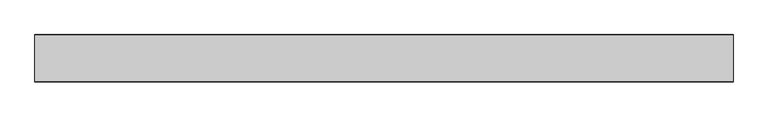
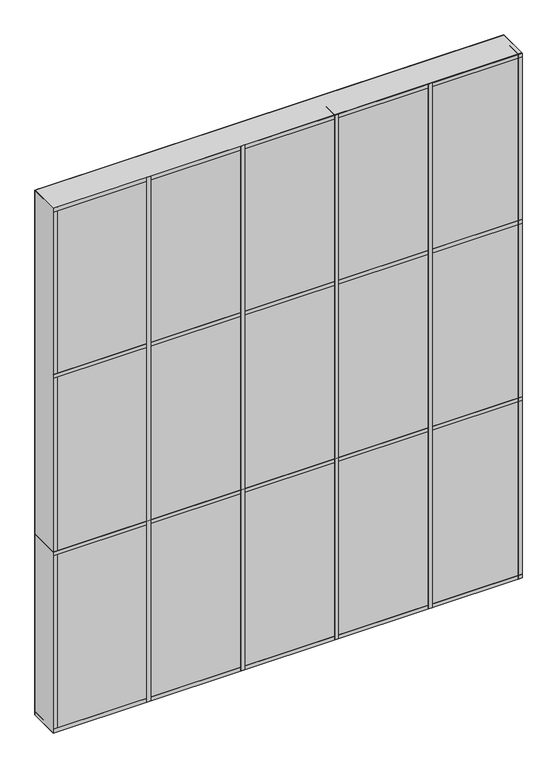
"""IFC4 building model written with IfcOpenShell, lengths in millimetres: plate geometry."""

from ifc_helpers import new_model, si_unit, frame, origin, origin_with_axes, place, context, project, spatial, polyline, outline, extrude, source, transform, mapped, element, save


def plate_04440975(model_context):
    return source(origin(), model_context, "Body", "SweptSolid", [
        extrude(outline(polyline([(762.0, 50.8), (762.0, -50.8), (-762.0, -50.8), (-762.0, 50.8), (762.0, 50.8)])), origin_with_axes(), (0.0, 0.0, 1.0), 1803.4),
        extrude(outline(polyline([(457.2, 51.59375), (469.9, 51.59375), (469.9, -51.59375), (457.2, -51.59375), (457.2, 51.59375)])), origin_with_axes(), (0.0, 0.0, 1.0), 1803.4),
        extrude(outline(polyline([(152.4, 51.59375), (165.1, 51.59375), (165.1, -51.59375), (152.4, -51.59375), (152.4, 51.59375)])), origin_with_axes(), (0.0, 0.0, 1.0), 1803.4),
        extrude(outline(polyline([(-152.4, 51.59375), (-139.7, 51.59375), (-139.7, -51.59375), (-152.4, -51.59375), (-152.4, 51.59375)])), origin_with_axes(), (0.0, 0.0, 1.0), 1803.4),
        extrude(outline(polyline([(-457.2, 51.59375), (-444.5, 51.59375), (-444.5, -51.59375), (-457.2, -51.59375), (-457.2, 51.59375)])), origin_with_axes(), (0.0, 0.0, 1.0), 1803.4),
        extrude(outline(polyline([(762.0, 51.59375), (762.0, -51.59375), (-762.0, -51.59375), (-762.0, 51.59375), (762.0, 51.59375)])), frame((0.0, 0.0, 1219.2), z_axis=(0.0, 0.0, 1.0), x_axis=(1.0, 0.0, 0.0)), (0.0, 0.0, 1.0), 12.7),
        extrude(outline(polyline([(762.0, 51.59375), (762.0, -51.59375), (-762.0, -51.59375), (-762.0, 51.59375), (762.0, 51.59375)])), frame((0.0, 0.0, 1790.7), z_axis=(0.0, 0.0, 1.0), x_axis=(1.0, 0.0, 0.0)), (0.0, 0.0, 1.0), 12.7),
        extrude(outline(polyline([(762.0, 51.59375), (762.0, -51.59375), (-762.0, -51.59375), (-762.0, 51.59375), (762.0, 51.59375)])), frame((0.0, 0.0, 609.6), z_axis=(0.0, 0.0, 1.0), x_axis=(1.0, 0.0, 0.0)), (0.0, 0.0, 1.0), 12.7),
        extrude(outline(polyline([(762.0, 51.59375), (762.0, -51.59375), (-762.0, -51.59375), (-762.0, 51.59375), (762.0, 51.59375)])), origin_with_axes(), (0.0, 0.0, 1.0), 12.7),
        extrude(outline(polyline([(762.0, 51.59375), (762.0, -51.59375), (749.3, -51.59375), (749.3, 51.59375), (762.0, 51.59375)])), origin_with_axes(), (0.0, 0.0, 1.0), 1803.4),
        extrude(outline(polyline([(-762.0, 51.59375), (-749.3, 51.59375), (-749.3, -51.59375), (-762.0, -51.59375), (-762.0, 51.59375)])), origin_with_axes(), (0.0, 0.0, 1.0), 1803.4),
    ])


if __name__ == "__main__":
    model = new_model("IFC4")
    model_context = context("Model", 3, world=origin())
    ifc_project = project(units=[si_unit("LENGTHUNIT", "METRE", prefix="MILLI")], contexts=[model_context])
    site = spatial("IfcSite", under=ifc_project)
    building = spatial("IfcBuilding", under=site)
    placement = place(None, origin())
    plate_shape = plate_04440975(model_context)
    element("IfcPlate", 1, at=placement, inside=building, context=model_context, shape_type="MappedRepresentation", body=[
        mapped(plate_shape, transform((0.0, 0.0, 0.0), x_axis=(1.0, 0.0, 0.0), y_axis=(0.0, 1.0, 0.0), z_axis=(0.0, 0.0, 1.0))),
    ])
    save(model, "model.ifc")
